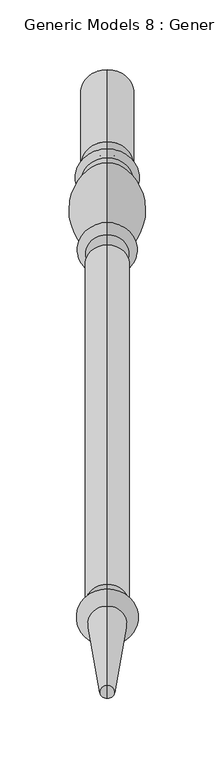
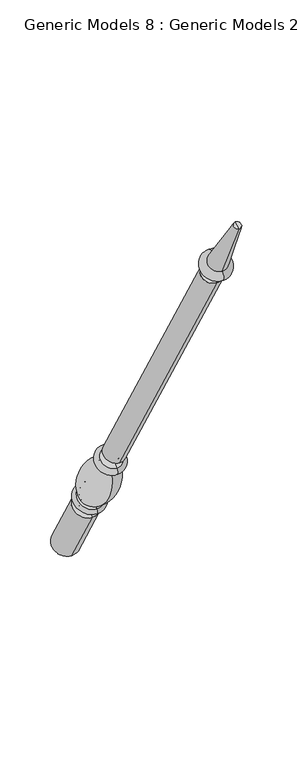
"""IFC4 building model written with IfcOpenShell, lengths in millimetres: proxy geometry, Generic Models 8 : Generic Models 2."""

from ifc_helpers import new_model, si_unit, point, frame, origin, place, context, project, spatial, polyline, circle_curve, ellipse_curve, trimmed, source, transform, mapped, element, save
from ifc_brep_helpers import plane_surface, cylinder_surface, revolved_surface, advanced_brep


def generic_models_8_generic_models_2_a1b86361(model_context):
    return source(origin(), model_context, "Body", "AdvancedBrep", [
        advanced_brep(
        [(-1594.2684498, 1861.1601077, 610.5814746), (-1594.2684498, 1828.1645398, 591.5314746), (-1594.2684498, 1880.0576333, 501.65), (-1594.2684498, 1913.0532012, 520.7), (-1594.2684498, 1853.6896456, 623.5206944), (-1594.2684498, 1820.6940777, 604.4706944), (-1594.2684498, 1849.5864045, 630.6277165), (-1594.2684498, 1816.5908366, 611.5777165), (-1594.2684498, 1845.9182158, 636.9812058), (-1594.2684498, 1812.9226479, 617.9312058), (-1594.2684498, 1801.1569262, 703.055156), (-1594.2684498, 1778.0815733, 689.7325947), (-1594.2684498, 1799.8610191, 710.4046105), (-1594.2684498, 1772.3647125, 694.5296105), (-1594.2684498, 1794.1590629, 720.2806883), (-1594.2684498, 1766.6627563, 704.4056883), (-1594.2684498, 1786.7732215, 733.0733408), (-1594.2684498, 1759.276915, 717.1983408), (-1594.2684498, 1542.2982215, 1156.516462), (-1594.2684498, 1514.801915, 1140.641462), (-1594.2684498, 1537.2251467, 1153.5875209), (-1594.2684498, 1519.8749898, 1143.5704031), (-1594.2684498, 1531.1910418, 1164.0388972), (-1594.2684498, 1513.8408848, 1154.0217794), (-1594.2684498, 1534.7597609, 1166.0992981), (-1594.2684498, 1510.2721658, 1151.9613785), (-1594.2684498, 1526.5847892, 1180.2587644), (-1594.2684498, 1502.0971941, 1166.1208448), (-1594.2684498, 1469.4852742, 1261.8053229), (-1594.2684498, 1460.0255603, 1256.3437545), (-1594.2684498, 1464.7554173, 1259.0745387), (-1594.2684498, 1896.5554173, 511.175)],
        [
            (0, 1, circle_curve(frame((-1594.2684498, 1844.6623237, 601.0564746), z_axis=(0.0, 0.5000000000000062, -0.8660254037844352), x_axis=(0.0, -0.8660254037844352, -0.5000000000000062)), 19.05)),
            (1, 2),
            (2, 3, circle_curve(frame((-1594.2684498, 1896.5554173, 511.175), z_axis=(0.0, -0.5000000000000062, 0.8660254037844352), x_axis=(0.0, -0.8660254037844352, -0.5000000000000062)), 19.05)),
            (3, 0),
            (1, 0, circle_curve(frame((-1594.2684498, 1844.6623237, 601.0564746), z_axis=(0.0, 0.5000000000000062, -0.8660254037844352), x_axis=(0.0, -0.8660254037844352, -0.5000000000000062)), 19.05)),
            (3, 2, circle_curve(frame((-1594.2684498, 1896.5554173, 511.175), z_axis=(0.0, -0.5000000000000062, 0.8660254037844352), x_axis=(0.0, -0.8660254037844352, -0.5000000000000062)), 19.05)),
            (4, 5, circle_curve(frame((-1594.2684498, 1837.1918617, 613.9956944), z_axis=(0.0, 0.5000000000000062, -0.8660254037844352), x_axis=(0.0, -0.8660254037844352, -0.5000000000000062)), 19.05)),
            (5, 1, circle_curve(frame((-1594.2684498, 1821.8102989, 596.4889985), z_axis=(-1.0, 0.0, 0.0), x_axis=(0.0, 0.8660254037844352, 0.5000000000000062)), 8.0593685)),
            (0, 4, circle_curve(frame((-1594.2684498, 1860.0438865, 618.5631706), z_axis=(-1.0, 0.0, 0.0), x_axis=(0.0, -0.8660254037844352, -0.5000000000000062)), 8.0593685)),
            (5, 4, circle_curve(frame((-1594.2684498, 1837.1918617, 613.9956944), z_axis=(0.0, 0.5000000000000062, -0.8660254037844352), x_axis=(0.0, -0.8660254037844352, -0.5000000000000062)), 19.05)),
            (6, 7, circle_curve(frame((-1594.2684498, 1833.0886205, 621.1027165), z_axis=(0.0, 0.5000000000000062, -0.8660254037844352), x_axis=(0.0, -0.8660254037844352, -0.5000000000000062)), 19.05)),
            (7, 5, circle_curve(frame((-1594.2684498, 1818.6424572, 608.0242055), z_axis=(1.0, 0.0, 0.0), x_axis=(0.0, 0.8660254037844352, 0.5000000000000062)), 4.1032411)),
            (4, 6, circle_curve(frame((-1594.2684498, 1851.638025, 627.0742055), z_axis=(1.0, 0.0, 0.0), x_axis=(0.0, -0.8660254037844352, -0.5000000000000062)), 4.1032411)),
            (7, 6, circle_curve(frame((-1594.2684498, 1833.0886205, 621.1027165), z_axis=(0.0, 0.5000000000000062, -0.8660254037844352), x_axis=(0.0, -0.8660254037844352, -0.5000000000000062)), 19.05)),
            (8, 9, circle_curve(frame((-1594.2684498, 1829.4204318, 627.4562058), z_axis=(0.0, 0.5000000000000062, -0.8660254037844352), x_axis=(0.0, -0.8660254037844352, -0.5000000000000062)), 19.05)),
            (9, 7, circle_curve(frame((-1594.2684498, 1813.3633086, 613.9499618), z_axis=(-1.0, 0.0, 0.0), x_axis=(0.0, 0.8660254037844352, 0.5000000000000062)), 4.0055568)),
            (6, 8, circle_curve(frame((-1594.2684498, 1849.1457438, 634.6089605), z_axis=(-1.0, 0.0, 0.0), x_axis=(0.0, -0.8660254037844352, -0.5000000000000062)), 4.0055568)),
            (9, 8, circle_curve(frame((-1594.2684498, 1829.4204318, 627.4562058), z_axis=(0.0, 0.5000000000000062, -0.8660254037844352), x_axis=(0.0, -0.8660254037844352, -0.5000000000000062)), 19.05)),
            (10, 11, circle_curve(frame((-1594.2684498, 1789.6192497, 696.3938754), z_axis=(0.0, 0.5000000000000062, -0.8660254037844352), x_axis=(0.0, -0.8660254037844352, -0.5000000000000062)), 13.3225612)),
            (11, 9, circle_curve(frame((-1594.2684498, 1854.1299968, 682.2806335), z_axis=(1.0, 0.0, 0.0), x_axis=(0.0, 0.8660254037844352, 0.5000000000000062)), 76.412659)),
            (8, 10, circle_curve(frame((-1594.2684498, 1769.5863022, 633.4693086), z_axis=(1.0, 0.0, 0.0), x_axis=(0.0, -0.8660254037844352, -0.5000000000000062)), 76.412659)),
            (11, 10, circle_curve(frame((-1594.2684498, 1789.6192497, 696.3938754), z_axis=(0.0, 0.5000000000000062, -0.8660254037844352), x_axis=(0.0, -0.8660254037844352, -0.5000000000000062)), 13.3225612)),
            (12, 13, circle_curve(frame((-1594.2684498, 1786.1128658, 702.4671105), z_axis=(0.0, 0.5000000000000062, -0.8660254037844352), x_axis=(0.0, -0.8660254037844352, -0.5000000000000062)), 15.875)),
            (13, 11, circle_curve(frame((-1594.2684498, 1773.4069828, 689.9666873), z_axis=(-1.0, 0.0, 0.0), x_axis=(0.0, 0.8660254037844352, 0.5000000000000062)), 4.6804482)),
            (10, 12, circle_curve(frame((-1594.2684498, 1803.2914914, 707.2205164), z_axis=(-1.0, 0.0, 0.0), x_axis=(0.0, -0.8660254037844352, -0.5000000000000062)), 4.6804482)),
            (13, 12, circle_curve(frame((-1594.2684498, 1786.1128658, 702.4671105), z_axis=(0.0, 0.5000000000000062, -0.8660254037844352), x_axis=(0.0, -0.8660254037844352, -0.5000000000000062)), 15.875)),
            (14, 15, circle_curve(frame((-1594.2684498, 1780.4109096, 712.3431883), z_axis=(0.0, 0.5000000000000062, -0.8660254037844352), x_axis=(0.0, -0.8660254037844352, -0.5000000000000062)), 15.875)),
            (15, 13, circle_curve(frame((-1594.2684498, 1769.5137344, 699.4676494), z_axis=(1.0, 0.0, 0.0), x_axis=(0.0, 0.8660254037844352, 0.5000000000000062)), 5.7019562)),
            (12, 14, circle_curve(frame((-1594.2684498, 1797.010041, 715.3426494), z_axis=(1.0, 0.0, 0.0), x_axis=(0.0, -0.8660254037844352, -0.5000000000000062)), 5.7019562)),
            (15, 14, circle_curve(frame((-1594.2684498, 1780.4109096, 712.3431883), z_axis=(0.0, 0.5000000000000062, -0.8660254037844352), x_axis=(0.0, -0.8660254037844352, -0.5000000000000062)), 15.875)),
            (16, 17, circle_curve(frame((-1594.2684498, 1773.0250683, 725.1358408), z_axis=(0.0, 0.5000000000000062, -0.8660254037844352), x_axis=(0.0, -0.8660254037844352, -0.5000000000000062)), 15.875)),
            (17, 15, circle_curve(frame((-1594.2684498, 1762.9698356, 710.8020145), z_axis=(-1.0, 0.0, 0.0), x_axis=(0.0, 0.8660254037844352, 0.5000000000000062)), 7.3858413)),
            (14, 16, circle_curve(frame((-1594.2684498, 1790.4661422, 726.6770145), z_axis=(-1.0, 0.0, 0.0), x_axis=(0.0, -0.8660254037844352, -0.5000000000000062)), 7.3858413)),
            (17, 16, circle_curve(frame((-1594.2684498, 1773.0250683, 725.1358408), z_axis=(0.0, 0.5000000000000062, -0.8660254037844352), x_axis=(0.0, -0.8660254037844352, -0.5000000000000062)), 15.875)),
            (18, 19, circle_curve(frame((-1594.2684498, 1528.5500683, 1148.578962), z_axis=(0.0, 0.5000000000000062, -0.8660254037844352), x_axis=(0.0, -0.8660254037844352, -0.5000000000000062)), 15.875)),
            (19, 17),
            (16, 18),
            (19, 18, circle_curve(frame((-1594.2684498, 1528.5500683, 1148.578962), z_axis=(0.0, 0.5000000000000062, -0.8660254037844352), x_axis=(0.0, -0.8660254037844352, -0.5000000000000062)), 15.875)),
            (20, 21, circle_curve(frame((-1594.2684498, 1528.5500683, 1148.578962), z_axis=(0.0, 0.5000000000000062, -0.8660254037844352), x_axis=(0.0, -0.8660254037844352, -0.5000000000000062)), 10.0171178)),
            (21, 19),
            (18, 20),
            (21, 20, circle_curve(frame((-1594.2684498, 1528.5500683, 1148.578962), z_axis=(0.0, 0.5000000000000062, -0.8660254037844352), x_axis=(0.0, -0.8660254037844352, -0.5000000000000062)), 10.0171178)),
            (22, 23, circle_curve(frame((-1594.2684498, 1522.5159633, 1159.0303383), z_axis=(0.0, 0.5000000000000062, -0.8660254037844352), x_axis=(0.0, -0.8660254037844352, -0.5000000000000062)), 10.0171178)),
            (23, 21, circle_curve(frame((-1594.2684498, 1515.3020818, 1147.8978177), z_axis=(-1.0, 0.0, 0.0), x_axis=(0.0, 0.8660254037844352, 0.5000000000000062)), 6.295872)),
            (20, 22, circle_curve(frame((-1594.2684498, 1535.7639497, 1159.7114826), z_axis=(-1.0, 0.0, 0.0), x_axis=(0.0, -0.8660254037844352, -0.5000000000000062)), 6.295872)),
            (23, 22, circle_curve(frame((-1594.2684498, 1522.5159633, 1159.0303383), z_axis=(0.0, 0.5000000000000062, -0.8660254037844352), x_axis=(0.0, -0.8660254037844352, -0.5000000000000062)), 10.0171178)),
            (24, 25, circle_curve(frame((-1594.2684498, 1522.5159633, 1159.0303383), z_axis=(0.0, 0.5000000000000062, -0.8660254037844352), x_axis=(0.0, -0.8660254037844352, -0.5000000000000062)), 14.1379196)),
            (25, 23),
            (22, 24),
            (25, 24, circle_curve(frame((-1594.2684498, 1522.5159633, 1159.0303383), z_axis=(0.0, 0.5000000000000062, -0.8660254037844352), x_axis=(0.0, -0.8660254037844352, -0.5000000000000062)), 14.1379196)),
            (26, 27, circle_curve(frame((-1594.2684498, 1514.3409916, 1173.1898046), z_axis=(0.0, 0.5000000000000062, -0.8660254037844352), x_axis=(0.0, -0.8660254037844352, -0.5000000000000062)), 14.1379196)),
            (27, 25, circle_curve(frame((-1594.2684498, 1506.1846799, 1159.0411116), z_axis=(1.0, 0.0, 0.0), x_axis=(0.0, 0.8660254037844352, 0.5000000000000062)), 8.1749717)),
            (24, 26, circle_curve(frame((-1594.2684498, 1530.672275, 1173.1790313), z_axis=(1.0, 0.0, 0.0), x_axis=(0.0, -0.8660254037844352, -0.5000000000000062)), 8.1749717)),
            (27, 26, circle_curve(frame((-1594.2684498, 1514.3409916, 1173.1898046), z_axis=(0.0, 0.5000000000000062, -0.8660254037844352), x_axis=(0.0, -0.8660254037844352, -0.5000000000000062)), 14.1379196)),
            (28, 29, circle_curve(frame((-1594.2684498, 1464.7554173, 1259.0745387), z_axis=(0.0, 0.5000000000000062, -0.8660254037844352), x_axis=(0.0, -0.8660254037844352, -0.5000000000000062)), 5.4615684)),
            (29, 27),
            (26, 28),
            (29, 28, circle_curve(frame((-1594.2684498, 1464.7554173, 1259.0745387), z_axis=(0.0, 0.5000000000000062, -0.8660254037844352), x_axis=(0.0, -0.8660254037844352, -0.5000000000000062)), 5.4615684)),
            (30, 29),
            (28, 30),
            (2, 31),
            (31, 3),
        ],
        [
            cylinder_surface(frame((-1594.2684498, 1464.7554173, 1259.0745387), z_axis=(0.0, -0.5000000000000062, 0.8660254037844352), x_axis=(0.0, -0.8660254037844352, -0.5000000000000062)), 19.05),
            revolved_surface(trimmed(ellipse_curve(frame((-1594.2684498, 1821.8102989, 596.4889985), z_axis=(1.0, 0.0, 0.0), x_axis=(0.0, 0.8660254037844352, 0.5000000000000062)), 8.0593685, 8.0593685), [point((-1594.2684498, 1828.1645398, 591.5314746))], [point((-1594.2684498, 1820.6940777, 604.4706944))], True, "CARTESIAN"), (-1594.2684498, 1464.7554173, 1259.0745387), (0.0, -0.5000000000000062, 0.8660254037844352)),
            revolved_surface(trimmed(ellipse_curve(frame((-1594.2684498, 1818.6424572, 608.0242055), z_axis=(-1.0, 0.0, 0.0), x_axis=(0.0, 0.8660254037844352, 0.5000000000000062)), 4.1032411, 4.1032411), [point((-1594.2684498, 1820.6940777, 604.4706944))], [point((-1594.2684498, 1816.5908366, 611.5777165))], True, "CARTESIAN"), (-1594.2684498, 1464.7554173, 1259.0745387), (0.0, -0.5000000000000062, 0.8660254037844352)),
            revolved_surface(trimmed(ellipse_curve(frame((-1594.2684498, 1813.3633086, 613.9499618), z_axis=(1.0, 0.0, 0.0), x_axis=(0.0, 0.8660254037844352, 0.5000000000000062)), 4.0055568, 4.0055568), [point((-1594.2684498, 1816.5908366, 611.5777165))], [point((-1594.2684498, 1812.9226479, 617.9312058))], True, "CARTESIAN"), (-1594.2684498, 1464.7554173, 1259.0745387), (0.0, -0.5000000000000062, 0.8660254037844352)),
            revolved_surface(trimmed(ellipse_curve(frame((-1594.2684498, 1854.1299968, 682.2806335), z_axis=(-1.0, 0.0, 0.0), x_axis=(0.0, 0.8660254037844352, 0.5000000000000062)), 76.412659, 76.412659), [point((-1594.2684498, 1812.9226479, 617.9312058))], [point((-1594.2684498, 1778.0815733, 689.7325947))], True, "CARTESIAN"), (-1594.2684498, 1464.7554173, 1259.0745387), (0.0, -0.5000000000000062, 0.8660254037844352)),
            revolved_surface(trimmed(ellipse_curve(frame((-1594.2684498, 1773.4069828, 689.9666873), z_axis=(1.0, 0.0, 0.0), x_axis=(0.0, 0.8660254037844352, 0.5000000000000062)), 4.6804482, 4.6804482), [point((-1594.2684498, 1778.0815733, 689.7325947))], [point((-1594.2684498, 1772.3647125, 694.5296105))], True, "CARTESIAN"), (-1594.2684498, 1464.7554173, 1259.0745387), (0.0, -0.5000000000000062, 0.8660254037844352)),
            revolved_surface(trimmed(ellipse_curve(frame((-1594.2684498, 1769.5137344, 699.4676494), z_axis=(-1.0, 0.0, 0.0), x_axis=(0.0, 0.8660254037844352, 0.5000000000000062)), 5.7019562, 5.7019562), [point((-1594.2684498, 1772.3647125, 694.5296105))], [point((-1594.2684498, 1766.6627563, 704.4056883))], True, "CARTESIAN"), (-1594.2684498, 1464.7554173, 1259.0745387), (0.0, -0.5000000000000062, 0.8660254037844352)),
            revolved_surface(trimmed(ellipse_curve(frame((-1594.2684498, 1762.9698356, 710.8020145), z_axis=(1.0, 0.0, 0.0), x_axis=(0.0, 0.8660254037844352, 0.5000000000000062)), 7.3858413, 7.3858413), [point((-1594.2684498, 1766.6627563, 704.4056883))], [point((-1594.2684498, 1759.276915, 717.1983408))], True, "CARTESIAN"), (-1594.2684498, 1464.7554173, 1259.0745387), (0.0, -0.5000000000000062, 0.8660254037844352)),
            cylinder_surface(frame((-1594.2684498, 1464.7554173, 1259.0745387), z_axis=(0.0, -0.5000000000000062, 0.8660254037844352), x_axis=(0.0, -0.8660254037844352, -0.5000000000000062)), 15.875),
            plane_surface(frame((-1594.2684498, 1528.5500683, 1148.578962), z_axis=(0.0, -0.5000000000000062, 0.8660254037844352), x_axis=(0.0, -0.8660254037844352, -0.5000000000000062))),
            revolved_surface(trimmed(ellipse_curve(frame((-1594.2684498, 1515.3020818, 1147.8978177), z_axis=(1.0, 0.0, 0.0), x_axis=(0.0, 0.8660254037844352, 0.5000000000000062)), 6.295872, 6.295872), [point((-1594.2684498, 1519.8749898, 1143.5704031))], [point((-1594.2684498, 1513.8408848, 1154.0217794))], True, "CARTESIAN"), (-1594.2684498, 1464.7554173, 1259.0745387), (0.0, -0.5000000000000062, 0.8660254037844352)),
            plane_surface(frame((-1594.2684498, 1522.5159633, 1159.0303383), z_axis=(0.0, 0.5000000000000062, -0.8660254037844352), x_axis=(0.0, -0.8660254037844352, -0.5000000000000062))),
            revolved_surface(trimmed(ellipse_curve(frame((-1594.2684498, 1506.1846799, 1159.0411116), z_axis=(-1.0, 0.0, 0.0), x_axis=(0.0, 0.8660254037844352, 0.5000000000000062)), 8.1749717, 8.1749717), [point((-1594.2684498, 1510.2721658, 1151.9613785))], [point((-1594.2684498, 1502.0971941, 1166.1208448))], True, "CARTESIAN"), (-1594.2684498, 1464.7554173, 1259.0745387), (0.0, -0.5000000000000062, 0.8660254037844352)),
            revolved_surface(polyline([(-1594.2684498, 1502.0971941, 1166.1208448), (-1594.2684498, 1460.0255603, 1256.3437545)]), (-1594.2684498, 1464.7554173, 1259.0745387), (0.0, -0.5000000000000062, 0.8660254037844352)),
            plane_surface(frame((-1594.2684498, 1464.7554173, 1259.0745387), z_axis=(0.0, -0.5000000000000062, 0.8660254037844352), x_axis=(0.0, -0.8660254037844352, -0.5000000000000062))),
            plane_surface(frame((-1594.2684498, 1896.5554173, 511.175), z_axis=(0.0, 0.5000000000000062, -0.8660254037844352), x_axis=(0.0, -0.8660254037844352, -0.5000000000000062))),
        ],
        [
            (0, [[1, 2, 3, 4]]),
            (0, [[5, -4, 6, -2]]),
            (1, [[7, 8, -1, 9]]),
            (1, [[10, -9, -5, -8]]),
            (2, [[11, 12, -7, 13]]),
            (2, [[14, -13, -10, -12]]),
            (3, [[15, 16, -11, 17]]),
            (3, [[18, -17, -14, -16]]),
            (4, [[19, 20, -15, 21]]),
            (4, [[22, -21, -18, -20]]),
            (5, [[23, 24, -19, 25]]),
            (5, [[26, -25, -22, -24]]),
            (6, [[27, 28, -23, 29]]),
            (6, [[30, -29, -26, -28]]),
            (7, [[31, 32, -27, 33]]),
            (7, [[34, -33, -30, -32]]),
            (8, [[35, 36, -31, 37]]),
            (8, [[38, -37, -34, -36]]),
            (9, [[39, 40, -35, 41]]),
            (9, [[42, -41, -38, -40]]),
            (10, [[43, 44, -39, 45]]),
            (10, [[46, -45, -42, -44]]),
            (11, [[47, 48, -43, 49]]),
            (11, [[50, -49, -46, -48]]),
            (12, [[51, 52, -47, 53]]),
            (12, [[54, -53, -50, -52]]),
            (13, [[55, 56, -51, 57]]),
            (13, [[58, -57, -54, -56]]),
            (14, [[59, -55, 60]]),
            (14, [[-60, -58, -59]]),
            (15, [[-3, 61, 62]]),
            (15, [[-6, -62, -61]]),
        ],
    ),
    ])


if __name__ == "__main__":
    model = new_model("IFC4")
    model_context = context("Model", 3, world=origin())
    ifc_project = project(units=[si_unit("LENGTHUNIT", "METRE", prefix="MILLI")], contexts=[model_context])
    site = spatial("IfcSite", under=ifc_project)
    building = spatial("IfcBuilding", under=site)
    placement = place(None, origin())
    generic_models_8_generic_models_2_shape = generic_models_8_generic_models_2_a1b86361(model_context)
    element("IfcBuildingElementProxy", 1, Name="Generic Models 8 : Generic Models 2", ObjectType="Generic Models 8 : Generic Models 2", at=placement, inside=building, context=model_context, shape_type="MappedRepresentation", body=[
        mapped(generic_models_8_generic_models_2_shape, transform((0.0, 0.0, 0.0), x_axis=(1.0, 0.0, 0.0), y_axis=(0.0, 1.0, 0.0), z_axis=(0.0, 0.0, 1.0))),
    ])
    save(model, "model.ifc")
